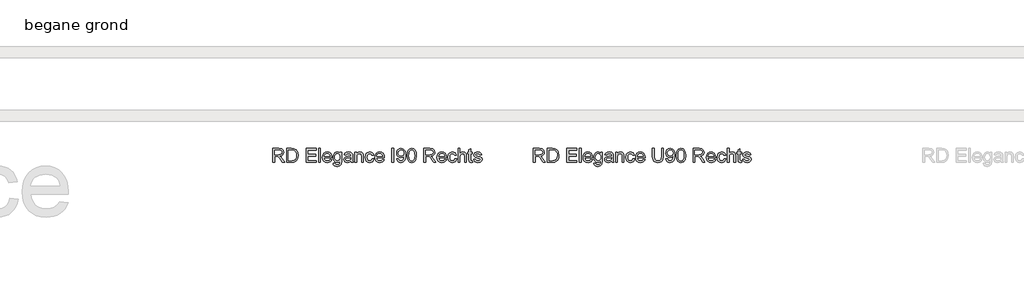
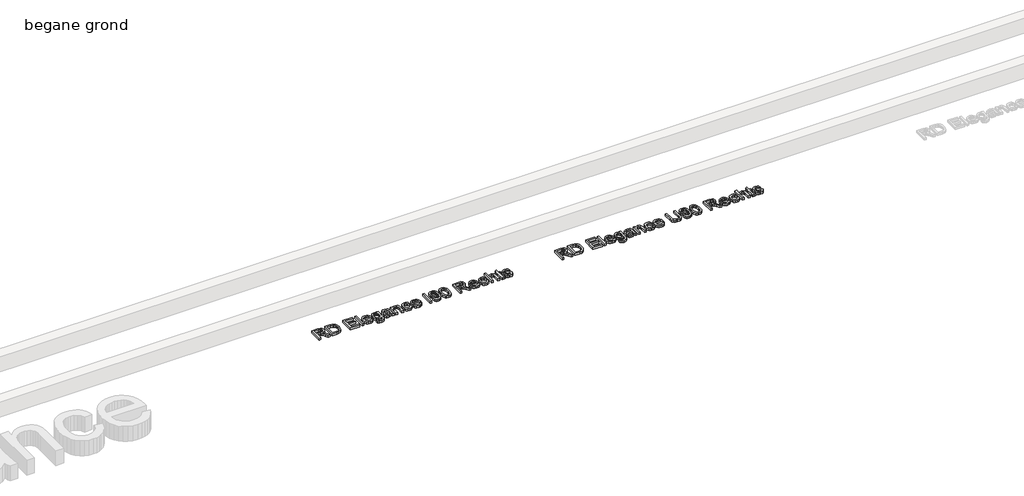
# One storey, part 2 of 3: 2 proxies.
"""IFC4 building model written with IfcOpenShell, lengths in millimetres."""

from ifc_helpers import new_model, si_unit, origin, origin_with_axes, place, context, project, spatial, polyline, outline, extrude, element, save

model = new_model("IFC4")

# Units and contexts
model_context = context("Model", 3, world=origin())
ifc_project = project(units=[si_unit("LENGTHUNIT", "METRE", prefix="MILLI")], contexts=[model_context])

# Site, building, storey
site = spatial("IfcSite", under=ifc_project)
building = spatial("IfcBuilding", under=site)
storey = spatial("IfcBuildingStorey", under=building, Name="begane grond", Elevation=0.0)

# Proxies
placement = place(None, origin())
element("IfcBuildingElementProxy", 1, Name="Generic Models", at=placement, inside=storey, context=model_context, shape_type="SweptSolid", body=[
    extrude(outline(polyline([(-3942.7448706, -13739.732296), (-3942.7448706, -13616.6553729), (-3889.7100148, -13616.6553729), (-3865.0856158, -13619.9756854), (-3851.6240773, -13631.7244835), (-3846.5910244, -13650.3392671), (-3848.6756097, -13662.4636662), (-3854.9293658, -13672.5147479), (-3865.5400929, -13679.8840388), (-3880.6955917, -13683.9630652), (-3871.9516013, -13690.5435941), (-3859.4816494, -13706.3789306), (-3838.9588129, -13739.732296), (-3856.8374186, -13739.732296), (-3872.8530436, -13714.2214787), (-3884.4215533, -13697.3344594), (-3892.5495581, -13689.356695), (-3899.8662648, -13686.4270075), (-3908.7905436, -13685.8861421), (-3927.3602552, -13685.8861421), (-3927.3602552, -13739.732296), (-3942.7448706, -13739.732296)]), holes=[polyline([(-3927.3602552, -13670.5015267), (-3892.925159, -13670.5015267), (-3875.3620581, -13668.3230412), (-3865.3860965, -13661.3518873), (-3861.9756398, -13650.9101806), (-3863.601992, -13643.4056734), (-3868.4810485, -13637.3584979), (-3876.8757299, -13633.3696157), (-3889.0489571, -13632.0399883), (-3927.3602552, -13632.0399883), (-3927.3602552, -13670.5015267)])]), origin_with_axes(), (0.0, 0.0, 1.0), 20.0),
    extrude(outline(polyline([(-3819.6679475, -13739.732296), (-3819.6679475, -13616.6553729), (-3777.2100148, -13616.6553729), (-3755.2448706, -13618.4282094), (-3737.1559283, -13627.232296), (-3728.6448105, -13636.607296), (-3722.582611, -13648.2659498), (-3717.7448706, -13677.5327767), (-3721.020111, -13702.3675123), (-3729.4335725, -13720.2911902), (-3740.6715533, -13731.4540508), (-3755.3800869, -13737.6289306), (-3775.1667456, -13739.732296), (-3819.6679475, -13739.732296)]), holes=[polyline([(-3804.2833321, -13724.3476806), (-3777.0597744, -13724.3476806), (-3757.2580917, -13722.1241229), (-3745.8398225, -13715.8440748), (-3736.4798465, -13700.5646277), (-3733.129486, -13677.2923921), (-3734.7708622, -13660.5255652), (-3739.6949908, -13648.1457575), (-3746.9703814, -13639.6421517), (-3755.6655436, -13634.5039306), (-3777.4804475, -13632.0399883), (-3804.2833321, -13632.0399883), (-3804.2833321, -13724.3476806)])]), origin_with_axes(), (0.0, 0.0, 1.0), 20.0),
    extrude(outline(polyline([(-3648.5141013, -13739.732296), (-3648.5141013, -13616.6553729), (-3560.0525629, -13616.6553729), (-3560.0525629, -13632.0399883), (-3633.129486, -13632.0399883), (-3633.129486, -13668.5784498), (-3563.8987167, -13668.5784498), (-3563.8987167, -13683.9630652), (-3633.129486, -13683.9630652), (-3633.129486, -13724.3476806), (-3558.129486, -13724.3476806), (-3558.129486, -13739.732296), (-3648.5141013, -13739.732296)])), origin_with_axes(), (0.0, 0.0, 1.0), 20.0),
    extrude(outline(polyline([(-3536.9756398, -13739.732296), (-3536.9756398, -13616.6553729), (-3521.5910244, -13616.6553729), (-3521.5910244, -13739.732296), (-3536.9756398, -13739.732296)])), origin_with_axes(), (0.0, 0.0, 1.0), 20.0),
    extrude(outline(polyline([(-3435.2328513, -13712.8092191), (-3420.1487167, -13714.732296), (-3425.5836626, -13726.0979811), (-3434.2562888, -13734.5940748), (-3445.9712828, -13739.8900484), (-3460.5333321, -13741.6553729), (-3478.5847143, -13738.6092491), (-3492.4744379, -13729.4708777), (-3501.3311085, -13714.8337082), (-3504.2833321, -13695.2911902), (-3501.3010605, -13675.0913705), (-3492.3542456, -13659.9846998), (-3478.6523225, -13650.5646277), (-3461.4047263, -13647.4246037), (-3444.6942396, -13650.5571157), (-3431.3416254, -13659.9546517), (-3422.586367, -13675.0312743), (-3419.6679475, -13695.201046), (-3419.7580917, -13699.3476806), (-3488.8987167, -13699.3476806), (-3486.2357059, -13710.8636061), (-3480.0495581, -13719.3296517), (-3471.1215232, -13724.5354811), (-3460.2328513, -13726.2707575), (-3445.1487167, -13723.0556133), (-3435.2328513, -13712.8092191)]), holes=[polyline([(-3488.8987167, -13683.9630652), (-3435.0525629, -13683.9630652), (-3441.2124186, -13670.0207575), (-3450.1817696, -13664.6121037), (-3461.4648225, -13662.8092191), (-3471.835165, -13664.2477707), (-3480.410135, -13668.5634258), (-3486.3709222, -13675.290439), (-3488.8987167, -13683.9630652)])]), origin_with_axes(), (0.0, 0.0, 1.0), 20.0),
    extrude(outline(polyline([(-3408.129486, -13747.4246037), (-3392.7448706, -13749.3476806), (-3387.7568898, -13757.4606614), (-3372.8229956, -13760.8861421), (-3357.0778033, -13757.0099402), (-3349.565784, -13746.1325364), (-3348.5141013, -13728.1938344), (-3359.3464331, -13736.8476806), (-3372.5525629, -13739.732296), (-3388.4141915, -13736.3744234), (-3400.2418658, -13726.3008056), (-3407.5998886, -13711.5321758), (-3410.0525629, -13694.0892671), (-3405.6505196, -13670.2461181), (-3392.910135, -13653.3741229), (-3383.8393718, -13648.9119835), (-3373.3037648, -13647.4246037), (-3359.5793057, -13650.7899883), (-3348.5141013, -13660.8861421), (-3348.5141013, -13649.3476806), (-3333.129486, -13649.3476806), (-3333.129486, -13727.3825364), (-3337.3362167, -13757.2653489), (-3350.6625388, -13771.1625844), (-3373.1234763, -13776.2707575), (-3387.437629, -13774.4716289), (-3398.7094138, -13769.0742431), (-3405.9397323, -13760.063576), (-3408.129486, -13747.4246037)]), holes=[polyline([(-3394.6679475, -13693.0375844), (-3393.0265713, -13707.1489126), (-3388.1024427, -13716.8506854), (-3380.6993477, -13722.4734318), (-3371.6210725, -13724.3476806), (-3362.6104054, -13722.4846998), (-3355.1697504, -13716.8957575), (-3350.1780136, -13707.317933), (-3348.5141013, -13693.4883056), (-3350.2268417, -13680.1507154), (-3355.3650629, -13670.5465989), (-3362.9146422, -13664.743564), (-3371.8614571, -13662.8092191), (-3380.6467636, -13664.7135159), (-3388.0122985, -13670.4264066), (-3393.0040352, -13679.8877948), (-3394.6679475, -13693.0375844)])]), origin_with_axes(), (0.0, 0.0, 1.0), 20.0),
    extrude(outline(polyline([(-3252.3602552, -13728.1938344), (-3267.2791254, -13738.6205171), (-3283.7604956, -13741.6553729), (-3296.6173165, -13739.8299522), (-3306.1012408, -13734.3536902), (-3311.9493477, -13726.0378849), (-3313.8987167, -13715.6938344), (-3310.9540052, -13703.5243633), (-3303.2166254, -13694.6902287), (-3292.4443898, -13689.6421517), (-3279.1330917, -13687.3284498), (-3252.4503994, -13682.0399883), (-3252.3602552, -13678.6145075), (-3256.597034, -13667.2563344), (-3273.6042456, -13662.8092191), (-3289.1691494, -13665.7689546), (-3296.5910244, -13676.2707575), (-3311.9756398, -13674.3476806), (-3305.3199908, -13659.3236421), (-3291.9185485, -13650.5195556), (-3271.6210725, -13647.4246037), (-3252.9762408, -13650.1589787), (-3242.4443898, -13657.0249642), (-3237.7268417, -13667.466671), (-3236.9756398, -13680.9282094), (-3236.9756398, -13700.0688344), (-3236.1943898, -13726.7965989), (-3233.129486, -13739.732296), (-3248.5141013, -13739.732296), (-3252.3602552, -13728.1938344)]), holes=[polyline([(-3252.3602552, -13697.4246037), (-3277.1799667, -13702.1421517), (-3290.4161446, -13704.6361421), (-3296.410736, -13708.6926325), (-3298.5141013, -13714.6121037), (-3293.9317696, -13722.935421), (-3280.4852552, -13726.2707575), (-3264.9203513, -13722.5898681), (-3254.8842936, -13713.6806133), (-3252.4503994, -13701.7815748), (-3252.3602552, -13697.4246037)])]), origin_with_axes(), (0.0, 0.0, 1.0), 20.0),
    extrude(outline(polyline([(-3215.8217936, -13739.732296), (-3215.8217936, -13649.3476806), (-3200.4371783, -13649.3476806), (-3200.4371783, -13661.9678729), (-3188.6733561, -13651.060421), (-3172.612659, -13647.4246037), (-3158.0844138, -13650.3542912), (-3148.1685485, -13658.0465989), (-3143.5561686, -13669.3596998), (-3142.7448706, -13684.2334979), (-3142.7448706, -13739.732296), (-3158.129486, -13739.732296), (-3158.129486, -13686.3068152), (-3159.9023225, -13672.6950364), (-3166.1673465, -13665.4985219), (-3176.7292456, -13662.8092191), (-3185.7399126, -13664.3191349), (-3193.4209523, -13668.8488825), (-3198.6831218, -13677.6003849), (-3200.4371783, -13691.7755652), (-3200.4371783, -13739.732296), (-3215.8217936, -13739.732296)])), origin_with_axes(), (0.0, 0.0, 1.0), 20.0),
    extrude(outline(polyline([(-3063.8987167, -13707.0399883), (-3048.5141013, -13708.9630652), (-3052.8034643, -13722.6462082), (-3060.863861, -13732.9865027), (-3071.9365773, -13739.4881553), (-3085.2628994, -13741.6553729), (-3101.6278333, -13738.6317852), (-3114.4245581, -13729.5610219), (-3122.6840232, -13714.8412203), (-3125.4371783, -13694.8705171), (-3120.7346542, -13669.3146277), (-3114.800159, -13659.7330472), (-3106.4017215, -13652.8933537), (-3085.473236, -13647.4246037), (-3072.4736867, -13649.3026085), (-3062.0808081, -13654.9366229), (-3054.625129, -13664.0261662), (-3050.4371783, -13676.2707575), (-3065.8217936, -13678.1938344), (-3072.9582119, -13666.6703969), (-3085.3530436, -13662.8092191), (-3095.2952011, -13664.7097599), (-3103.1865773, -13670.4113825), (-3108.3360665, -13680.2220796), (-3110.0525629, -13694.4498441), (-3108.3736266, -13708.869165), (-3103.3368177, -13718.7136662), (-3095.5881698, -13724.3814847), (-3085.7737167, -13726.2707575), (-3071.2755196, -13721.5532094), (-3063.8987167, -13707.0399883)])), origin_with_axes(), (0.0, 0.0, 1.0), 20.0),
    extrude(outline(polyline([(-2971.7713129, -13712.8092191), (-2956.6871783, -13714.732296), (-2962.1221242, -13726.0979811), (-2970.7947504, -13734.5940748), (-2982.5097444, -13739.8900484), (-2997.0717936, -13741.6553729), (-3015.1231759, -13738.6092491), (-3029.0128994, -13729.4708777), (-3037.8695701, -13714.8337082), (-3040.8217936, -13695.2911902), (-3037.839522, -13675.0913705), (-3028.8927071, -13659.9846998), (-3015.190784, -13650.5646277), (-2997.9431879, -13647.4246037), (-2981.2327011, -13650.5571157), (-2967.8800869, -13659.9546517), (-2959.1248285, -13675.0312743), (-2956.206409, -13695.201046), (-2956.2965533, -13699.3476806), (-3025.4371783, -13699.3476806), (-3022.7741674, -13710.8636061), (-3016.5880196, -13719.3296517), (-3007.6599847, -13724.5354811), (-2996.7713129, -13726.2707575), (-2981.6871783, -13723.0556133), (-2971.7713129, -13712.8092191)]), holes=[polyline([(-3025.4371783, -13683.9630652), (-2971.5910244, -13683.9630652), (-2977.7508802, -13670.0207575), (-2986.7202311, -13664.6121037), (-2998.003284, -13662.8092191), (-3008.3736266, -13664.2477707), (-3016.9485965, -13668.5634258), (-3022.9093838, -13675.290439), (-3025.4371783, -13683.9630652)])]), origin_with_axes(), (0.0, 0.0, 1.0), 20.0),
    extrude(outline(polyline([(-2810.0525629, -13616.6553729), (-2794.6679475, -13616.6553729), (-2794.6679475, -13687.6589787), (-2798.8446302, -13717.09107), (-2804.6964932, -13726.9693753), (-2813.8987167, -13734.8194354), (-2826.4738369, -13739.9463885), (-2842.4443898, -13741.6553729), (-2858.0656338, -13740.1679931), (-2870.5543658, -13735.7058537), (-2879.9143417, -13728.422951), (-2886.1493177, -13718.4732816), (-2890.8217936, -13687.6589787), (-2890.8217936, -13616.6553729), (-2875.4371783, -13616.6553729), (-2875.4371783, -13687.1181133), (-2872.4023225, -13710.5706373), (-2861.9756398, -13722.1842191), (-2843.8866975, -13726.2707575), (-2828.2391614, -13724.2500243), (-2817.8350148, -13718.1878248), (-2811.9981759, -13706.3789306), (-2810.0525629, -13687.1181133), (-2810.0525629, -13616.6553729)])), origin_with_axes(), (0.0, 0.0, 1.0), 20.0),
    extrude(outline(polyline([(-2771.5910244, -13708.9630652), (-2756.206409, -13707.0399883), (-2749.2953513, -13721.7184739), (-2736.1943898, -13726.2707575), (-2723.7394619, -13723.34107), (-2715.2959523, -13715.513546), (-2710.2628994, -13702.1421517), (-2708.0393417, -13684.2935941), (-2708.129486, -13681.2887864), (-2720.4341735, -13692.9474402), (-2737.3061686, -13697.4246037), (-2751.3348646, -13694.6902287), (-2763.0122985, -13686.4871037), (-2770.8886506, -13673.8143272), (-2773.5141013, -13657.6709979), (-2770.7609463, -13640.9943152), (-2762.5014811, -13627.9234017), (-2750.0953814, -13619.4723801), (-2734.9023225, -13616.6553729), (-2723.4277131, -13618.262945), (-2712.9822504, -13623.0856614), (-2704.245772, -13630.8831373), (-2697.8981158, -13641.4149883), (-2694.0331819, -13655.9732816), (-2692.7448706, -13675.8500844), (-2694.0294259, -13696.9250544), (-2697.8830917, -13713.2148681), (-2704.2720641, -13725.4557034), (-2713.1625388, -13734.3837383), (-2724.171403, -13739.8374642), (-2736.9155436, -13741.6553729), (-2750.0690893, -13739.5106914), (-2760.5633802, -13733.0766469), (-2767.902623, -13722.7588885), (-2771.5910244, -13708.9630652)]), holes=[polyline([(-2708.129486, -13657.310421), (-2709.7896422, -13646.8837383), (-2714.770111, -13638.8609017), (-2722.4999787, -13633.7452166), (-2732.4083321, -13632.0399883), (-2742.6847744, -13633.876677), (-2750.9179475, -13639.3867431), (-2756.3266013, -13647.8189847), (-2758.129486, -13658.4221998), (-2756.4242576, -13667.9286602), (-2751.3085725, -13675.4744835), (-2743.2782239, -13680.3986121), (-2732.8290052, -13682.0399883), (-2722.999528, -13680.3986121), (-2715.0856158, -13675.4744835), (-2709.8685184, -13667.6507154), (-2708.129486, -13657.310421)])]), origin_with_axes(), (0.0, 0.0, 1.0), 20.0),
    extrude(outline(polyline([(-2679.2833321, -13679.185421), (-2674.7610965, -13643.7737623), (-2669.1421061, -13631.8108717), (-2661.3296061, -13623.3560941), (-2651.2672564, -13618.3305532), (-2638.8987167, -13616.6553729), (-2620.9299667, -13620.6217191), (-2608.520111, -13632.0550123), (-2601.3085725, -13650.2641469), (-2598.5141013, -13679.185421), (-2602.9912648, -13714.4468392), (-2608.5764511, -13726.4209979), (-2616.3776831, -13734.9095796), (-2626.4625689, -13739.9689246), (-2638.8987167, -13741.6553729), (-2654.8842936, -13738.7256854), (-2667.0237167, -13729.9366229), (-2676.2184283, -13709.1208176), (-2679.2833321, -13679.185421)]), holes=[polyline([(-2663.8987167, -13679.1553729), (-2662.0958321, -13703.3553428), (-2656.6871783, -13717.3615027), (-2648.6342936, -13724.0434438), (-2638.8987167, -13726.2707575), (-2629.1631398, -13724.0359318), (-2621.1102552, -13717.3314546), (-2615.7016013, -13703.3177828), (-2613.8987167, -13679.1553729), (-2615.6415052, -13655.5000243), (-2620.8698706, -13641.3849402), (-2628.9077311, -13634.3762263), (-2639.0790052, -13632.0399883), (-2648.7094138, -13634.0982816), (-2656.4467936, -13640.2731614), (-2662.035736, -13655.2671517), (-2663.8987167, -13679.1553729)])]), origin_with_axes(), (0.0, 0.0, 1.0), 20.0),
    extrude(outline(polyline([(-2531.206409, -13739.732296), (-2531.206409, -13616.6553729), (-2478.1715533, -13616.6553729), (-2453.5471542, -13619.9756854), (-2440.0856158, -13631.7244835), (-2435.0525629, -13650.3392671), (-2437.1371482, -13662.4636662), (-2443.3909042, -13672.5147479), (-2454.0016314, -13679.8840388), (-2469.1571302, -13683.9630652), (-2460.4131398, -13690.5435941), (-2447.9431879, -13706.3789306), (-2427.4203513, -13739.732296), (-2445.2989571, -13739.732296), (-2461.3145821, -13714.2214787), (-2472.8830917, -13697.3344594), (-2481.0110965, -13689.356695), (-2488.3278033, -13686.4270075), (-2497.2520821, -13685.8861421), (-2515.8217936, -13685.8861421), (-2515.8217936, -13739.732296), (-2531.206409, -13739.732296)]), holes=[polyline([(-2515.8217936, -13670.5015267), (-2481.3866975, -13670.5015267), (-2463.8235965, -13668.3230412), (-2453.847635, -13661.3518873), (-2450.4371783, -13650.9101806), (-2452.0635304, -13643.4056734), (-2456.9425869, -13637.3584979), (-2465.3372684, -13633.3696157), (-2477.5104956, -13632.0399883), (-2515.8217936, -13632.0399883), (-2515.8217936, -13670.5015267)])]), origin_with_axes(), (0.0, 0.0, 1.0), 20.0),
    extrude(outline(polyline([(-2346.7713129, -13712.8092191), (-2331.6871783, -13714.732296), (-2337.1221242, -13726.0979811), (-2345.7947504, -13734.5940748), (-2357.5097444, -13739.8900484), (-2372.0717936, -13741.6553729), (-2390.1231759, -13738.6092491), (-2404.0128994, -13729.4708777), (-2412.8695701, -13714.8337082), (-2415.8217936, -13695.2911902), (-2412.839522, -13675.0913705), (-2403.8927071, -13659.9846998), (-2390.190784, -13650.5646277), (-2372.9431879, -13647.4246037), (-2356.2327011, -13650.5571157), (-2342.8800869, -13659.9546517), (-2334.1248285, -13675.0312743), (-2331.206409, -13695.201046), (-2331.2965533, -13699.3476806), (-2400.4371783, -13699.3476806), (-2397.7741674, -13710.8636061), (-2391.5880196, -13719.3296517), (-2382.6599847, -13724.5354811), (-2371.7713129, -13726.2707575), (-2356.6871783, -13723.0556133), (-2346.7713129, -13712.8092191)]), holes=[polyline([(-2400.4371783, -13683.9630652), (-2346.5910244, -13683.9630652), (-2352.7508802, -13670.0207575), (-2361.7202311, -13664.6121037), (-2373.003284, -13662.8092191), (-2383.3736266, -13664.2477707), (-2391.9485965, -13668.5634258), (-2397.9093838, -13675.290439), (-2400.4371783, -13683.9630652)])]), origin_with_axes(), (0.0, 0.0, 1.0), 20.0),
    extrude(outline(polyline([(-2258.129486, -13707.0399883), (-2242.7448706, -13708.9630652), (-2247.0342335, -13722.6462082), (-2255.0946302, -13732.9865027), (-2266.1673465, -13739.4881553), (-2279.4936686, -13741.6553729), (-2295.8586025, -13738.6317852), (-2308.6553273, -13729.5610219), (-2316.9147924, -13714.8412203), (-2319.6679475, -13694.8705171), (-2314.9654235, -13669.3146277), (-2309.0309283, -13659.7330472), (-2300.6324908, -13652.8933537), (-2279.7040052, -13647.4246037), (-2266.7044559, -13649.3026085), (-2256.3115773, -13654.9366229), (-2248.8558982, -13664.0261662), (-2244.6679475, -13676.2707575), (-2260.0525629, -13678.1938344), (-2267.1889811, -13666.6703969), (-2279.5838129, -13662.8092191), (-2289.5259703, -13664.7097599), (-2297.4173465, -13670.4113825), (-2302.5668357, -13680.2220796), (-2304.2833321, -13694.4498441), (-2302.6043958, -13708.869165), (-2297.5675869, -13718.7136662), (-2289.8189391, -13724.3814847), (-2280.004486, -13726.2707575), (-2265.5062888, -13721.5532094), (-2258.129486, -13707.0399883)])), origin_with_axes(), (0.0, 0.0, 1.0), 20.0),
    extrude(outline(polyline([(-2229.2833321, -13739.732296), (-2229.2833321, -13616.6553729), (-2213.8987167, -13616.6553729), (-2213.8987167, -13661.9077767), (-2201.902022, -13651.0453969), (-2187.1258802, -13647.4246037), (-2169.848236, -13651.3759258), (-2159.3614571, -13662.2984017), (-2156.206409, -13682.5207575), (-2156.206409, -13739.732296), (-2171.5910244, -13739.732296), (-2171.5910244, -13684.1133056), (-2172.8154835, -13674.4828969), (-2176.488861, -13667.8873441), (-2190.3710725, -13662.8092191), (-2202.9762408, -13666.2346998), (-2211.3897023, -13675.5195556), (-2213.8987167, -13691.7154691), (-2213.8987167, -13739.732296), (-2229.2833321, -13739.732296)])), origin_with_axes(), (0.0, 0.0, 1.0), 20.0),
    extrude(outline(polyline([(-2102.3602552, -13726.9017671), (-2100.4371783, -13740.1830171), (-2111.9455917, -13741.6553729), (-2124.8362167, -13739.1012864), (-2131.2665052, -13732.4005652), (-2133.129486, -13714.9426325), (-2133.129486, -13664.732296), (-2144.6679475, -13664.732296), (-2144.6679475, -13649.3476806), (-2133.129486, -13649.3476806), (-2133.129486, -13627.3825364), (-2117.7448706, -13618.3380652), (-2117.7448706, -13649.3476806), (-2102.3602552, -13649.3476806), (-2102.3602552, -13664.732296), (-2117.7448706, -13664.732296), (-2117.7448706, -13714.4919114), (-2116.9335725, -13722.4246037), (-2114.3043658, -13725.2340989), (-2109.0609763, -13726.2707575), (-2102.3602552, -13726.9017671)])), origin_with_axes(), (0.0, 0.0, 1.0), 20.0),
    extrude(outline(polyline([(-2092.7448706, -13712.8092191), (-2077.3602552, -13710.8861421), (-2070.238861, -13722.3044114), (-2053.9227552, -13726.2707575), (-2038.237659, -13722.6349402), (-2033.129486, -13714.1012864), (-2038.2677071, -13707.1902287), (-2054.1030436, -13702.8032094), (-2077.270111, -13695.2761662), (-2087.3812888, -13686.4871037), (-2090.8217936, -13674.0772479), (-2088.0573706, -13662.6139066), (-2080.5153033, -13653.8548921), (-2070.7346542, -13649.3026085), (-2057.4984763, -13647.4246037), (-2038.7785244, -13650.4444354), (-2026.879486, -13658.6175123), (-2021.5910244, -13672.4246037), (-2036.9756398, -13674.3476806), (-2042.7598946, -13665.8590989), (-2056.2965533, -13662.8092191), (-2071.020111, -13665.7238825), (-2075.4371783, -13672.5147479), (-2073.6042456, -13676.9919114), (-2067.8650629, -13680.3873441), (-2054.613861, -13683.6625844), (-2032.0327311, -13690.904171), (-2021.5459523, -13699.107296), (-2017.7448706, -13712.4786902), (-2022.20701, -13727.2022479), (-2035.082611, -13737.8843392), (-2054.1330917, -13741.6553729), (-2069.6454114, -13739.8374642), (-2080.9660244, -13734.3837383), (-2088.5231158, -13725.3542912), (-2092.7448706, -13712.8092191)])), origin_with_axes(), (0.0, 0.0, 1.0), 20.0),
])
element("IfcBuildingElementProxy", 2, Name="Generic Models", at=placement, inside=storey, context=model_context, shape_type="SweptSolid", body=[
    extrude(outline(polyline([(-6247.7448706, -13739.732296), (-6247.7448706, -13616.6553729), (-6194.7100148, -13616.6553729), (-6170.0856158, -13619.9756854), (-6156.6240773, -13631.7244835), (-6151.5910244, -13650.3392671), (-6153.6756097, -13662.4636662), (-6159.9293658, -13672.5147479), (-6170.5400929, -13679.8840388), (-6185.6955917, -13683.9630652), (-6176.9516013, -13690.5435941), (-6164.4816494, -13706.3789306), (-6143.9588129, -13739.732296), (-6161.8374186, -13739.732296), (-6177.8530436, -13714.2214787), (-6189.4215533, -13697.3344594), (-6197.5495581, -13689.356695), (-6204.8662648, -13686.4270075), (-6213.7905436, -13685.8861421), (-6232.3602552, -13685.8861421), (-6232.3602552, -13739.732296), (-6247.7448706, -13739.732296)]), holes=[polyline([(-6232.3602552, -13670.5015267), (-6197.925159, -13670.5015267), (-6180.3620581, -13668.3230412), (-6170.3860965, -13661.3518873), (-6166.9756398, -13650.9101806), (-6168.601992, -13643.4056734), (-6173.4810485, -13637.3584979), (-6181.8757299, -13633.3696157), (-6194.0489571, -13632.0399883), (-6232.3602552, -13632.0399883), (-6232.3602552, -13670.5015267)])]), origin_with_axes(), (0.0, 0.0, 1.0), 20.0),
    extrude(outline(polyline([(-6124.6679475, -13739.732296), (-6124.6679475, -13616.6553729), (-6082.2100148, -13616.6553729), (-6060.2448706, -13618.4282094), (-6042.1559283, -13627.232296), (-6033.6448105, -13636.607296), (-6027.582611, -13648.2659498), (-6022.7448706, -13677.5327767), (-6026.020111, -13702.3675123), (-6034.4335725, -13720.2911902), (-6045.6715533, -13731.4540508), (-6060.3800869, -13737.6289306), (-6080.1667456, -13739.732296), (-6124.6679475, -13739.732296)]), holes=[polyline([(-6109.2833321, -13724.3476806), (-6082.0597744, -13724.3476806), (-6062.2580917, -13722.1241229), (-6050.8398225, -13715.8440748), (-6041.4798465, -13700.5646277), (-6038.129486, -13677.2923921), (-6039.7708622, -13660.5255652), (-6044.6949908, -13648.1457575), (-6051.9703814, -13639.6421517), (-6060.6655436, -13634.5039306), (-6082.4804475, -13632.0399883), (-6109.2833321, -13632.0399883), (-6109.2833321, -13724.3476806)])]), origin_with_axes(), (0.0, 0.0, 1.0), 20.0),
    extrude(outline(polyline([(-5953.5141013, -13739.732296), (-5953.5141013, -13616.6553729), (-5865.0525629, -13616.6553729), (-5865.0525629, -13632.0399883), (-5938.129486, -13632.0399883), (-5938.129486, -13668.5784498), (-5868.8987167, -13668.5784498), (-5868.8987167, -13683.9630652), (-5938.129486, -13683.9630652), (-5938.129486, -13724.3476806), (-5863.129486, -13724.3476806), (-5863.129486, -13739.732296), (-5953.5141013, -13739.732296)])), origin_with_axes(), (0.0, 0.0, 1.0), 20.0),
    extrude(outline(polyline([(-5841.9756398, -13739.732296), (-5841.9756398, -13616.6553729), (-5826.5910244, -13616.6553729), (-5826.5910244, -13739.732296), (-5841.9756398, -13739.732296)])), origin_with_axes(), (0.0, 0.0, 1.0), 20.0),
    extrude(outline(polyline([(-5740.2328513, -13712.8092191), (-5725.1487167, -13714.732296), (-5730.5836626, -13726.0979811), (-5739.2562888, -13734.5940748), (-5750.9712828, -13739.8900484), (-5765.5333321, -13741.6553729), (-5783.5847143, -13738.6092491), (-5797.4744379, -13729.4708777), (-5806.3311085, -13714.8337082), (-5809.2833321, -13695.2911902), (-5806.3010605, -13675.0913705), (-5797.3542456, -13659.9846998), (-5783.6523225, -13650.5646277), (-5766.4047263, -13647.4246037), (-5749.6942396, -13650.5571157), (-5736.3416254, -13659.9546517), (-5727.586367, -13675.0312743), (-5724.6679475, -13695.201046), (-5724.7580917, -13699.3476806), (-5793.8987167, -13699.3476806), (-5791.2357059, -13710.8636061), (-5785.0495581, -13719.3296517), (-5776.1215232, -13724.5354811), (-5765.2328513, -13726.2707575), (-5750.1487167, -13723.0556133), (-5740.2328513, -13712.8092191)]), holes=[polyline([(-5793.8987167, -13683.9630652), (-5740.0525629, -13683.9630652), (-5746.2124186, -13670.0207575), (-5755.1817696, -13664.6121037), (-5766.4648225, -13662.8092191), (-5776.835165, -13664.2477707), (-5785.410135, -13668.5634258), (-5791.3709222, -13675.290439), (-5793.8987167, -13683.9630652)])]), origin_with_axes(), (0.0, 0.0, 1.0), 20.0),
    extrude(outline(polyline([(-5713.129486, -13747.4246037), (-5697.7448706, -13749.3476806), (-5692.7568898, -13757.4606614), (-5677.8229956, -13760.8861421), (-5662.0778033, -13757.0099402), (-5654.565784, -13746.1325364), (-5653.5141013, -13728.1938344), (-5664.3464331, -13736.8476806), (-5677.5525629, -13739.732296), (-5693.4141915, -13736.3744234), (-5705.2418658, -13726.3008056), (-5712.5998886, -13711.5321758), (-5715.0525629, -13694.0892671), (-5710.6505196, -13670.2461181), (-5697.910135, -13653.3741229), (-5688.8393718, -13648.9119835), (-5678.3037648, -13647.4246037), (-5664.5793057, -13650.7899883), (-5653.5141013, -13660.8861421), (-5653.5141013, -13649.3476806), (-5638.129486, -13649.3476806), (-5638.129486, -13727.3825364), (-5642.3362167, -13757.2653489), (-5655.6625388, -13771.1625844), (-5678.1234763, -13776.2707575), (-5692.437629, -13774.4716289), (-5703.7094138, -13769.0742431), (-5710.9397323, -13760.063576), (-5713.129486, -13747.4246037)]), holes=[polyline([(-5699.6679475, -13693.0375844), (-5698.0265713, -13707.1489126), (-5693.1024427, -13716.8506854), (-5685.6993477, -13722.4734318), (-5676.6210725, -13724.3476806), (-5667.6104054, -13722.4846998), (-5660.1697504, -13716.8957575), (-5655.1780136, -13707.317933), (-5653.5141013, -13693.4883056), (-5655.2268417, -13680.1507154), (-5660.3650629, -13670.5465989), (-5667.9146422, -13664.743564), (-5676.8614571, -13662.8092191), (-5685.6467636, -13664.7135159), (-5693.0122985, -13670.4264066), (-5698.0040352, -13679.8877948), (-5699.6679475, -13693.0375844)])]), origin_with_axes(), (0.0, 0.0, 1.0), 20.0),
    extrude(outline(polyline([(-5557.3602552, -13728.1938344), (-5572.2791254, -13738.6205171), (-5588.7604956, -13741.6553729), (-5601.6173165, -13739.8299522), (-5611.1012408, -13734.3536902), (-5616.9493477, -13726.0378849), (-5618.8987167, -13715.6938344), (-5615.9540052, -13703.5243633), (-5608.2166254, -13694.6902287), (-5597.4443898, -13689.6421517), (-5584.1330917, -13687.3284498), (-5557.4503994, -13682.0399883), (-5557.3602552, -13678.6145075), (-5561.597034, -13667.2563344), (-5578.6042456, -13662.8092191), (-5594.1691494, -13665.7689546), (-5601.5910244, -13676.2707575), (-5616.9756398, -13674.3476806), (-5610.3199908, -13659.3236421), (-5596.9185485, -13650.5195556), (-5576.6210725, -13647.4246037), (-5557.9762408, -13650.1589787), (-5547.4443898, -13657.0249642), (-5542.7268417, -13667.466671), (-5541.9756398, -13680.9282094), (-5541.9756398, -13700.0688344), (-5541.1943898, -13726.7965989), (-5538.129486, -13739.732296), (-5553.5141013, -13739.732296), (-5557.3602552, -13728.1938344)]), holes=[polyline([(-5557.3602552, -13697.4246037), (-5582.1799667, -13702.1421517), (-5595.4161446, -13704.6361421), (-5601.410736, -13708.6926325), (-5603.5141013, -13714.6121037), (-5598.9317696, -13722.935421), (-5585.4852552, -13726.2707575), (-5569.9203513, -13722.5898681), (-5559.8842936, -13713.6806133), (-5557.4503994, -13701.7815748), (-5557.3602552, -13697.4246037)])]), origin_with_axes(), (0.0, 0.0, 1.0), 20.0),
    extrude(outline(polyline([(-5520.8217936, -13739.732296), (-5520.8217936, -13649.3476806), (-5505.4371783, -13649.3476806), (-5505.4371783, -13661.9678729), (-5493.6733561, -13651.060421), (-5477.612659, -13647.4246037), (-5463.0844138, -13650.3542912), (-5453.1685485, -13658.0465989), (-5448.5561686, -13669.3596998), (-5447.7448706, -13684.2334979), (-5447.7448706, -13739.732296), (-5463.129486, -13739.732296), (-5463.129486, -13686.3068152), (-5464.9023225, -13672.6950364), (-5471.1673465, -13665.4985219), (-5481.7292456, -13662.8092191), (-5490.7399126, -13664.3191349), (-5498.4209523, -13668.8488825), (-5503.6831218, -13677.6003849), (-5505.4371783, -13691.7755652), (-5505.4371783, -13739.732296), (-5520.8217936, -13739.732296)])), origin_with_axes(), (0.0, 0.0, 1.0), 20.0),
    extrude(outline(polyline([(-5368.8987167, -13707.0399883), (-5353.5141013, -13708.9630652), (-5357.8034643, -13722.6462082), (-5365.863861, -13732.9865027), (-5376.9365773, -13739.4881553), (-5390.2628994, -13741.6553729), (-5406.6278333, -13738.6317852), (-5419.4245581, -13729.5610219), (-5427.6840232, -13714.8412203), (-5430.4371783, -13694.8705171), (-5425.7346542, -13669.3146277), (-5419.800159, -13659.7330472), (-5411.4017215, -13652.8933537), (-5390.473236, -13647.4246037), (-5377.4736867, -13649.3026085), (-5367.0808081, -13654.9366229), (-5359.625129, -13664.0261662), (-5355.4371783, -13676.2707575), (-5370.8217936, -13678.1938344), (-5377.9582119, -13666.6703969), (-5390.3530436, -13662.8092191), (-5400.2952011, -13664.7097599), (-5408.1865773, -13670.4113825), (-5413.3360665, -13680.2220796), (-5415.0525629, -13694.4498441), (-5413.3736266, -13708.869165), (-5408.3368177, -13718.7136662), (-5400.5881698, -13724.3814847), (-5390.7737167, -13726.2707575), (-5376.2755196, -13721.5532094), (-5368.8987167, -13707.0399883)])), origin_with_axes(), (0.0, 0.0, 1.0), 20.0),
    extrude(outline(polyline([(-5276.7713129, -13712.8092191), (-5261.6871783, -13714.732296), (-5267.1221242, -13726.0979811), (-5275.7947504, -13734.5940748), (-5287.5097444, -13739.8900484), (-5302.0717936, -13741.6553729), (-5320.1231759, -13738.6092491), (-5334.0128994, -13729.4708777), (-5342.8695701, -13714.8337082), (-5345.8217936, -13695.2911902), (-5342.839522, -13675.0913705), (-5333.8927071, -13659.9846998), (-5320.190784, -13650.5646277), (-5302.9431879, -13647.4246037), (-5286.2327011, -13650.5571157), (-5272.8800869, -13659.9546517), (-5264.1248285, -13675.0312743), (-5261.206409, -13695.201046), (-5261.2965533, -13699.3476806), (-5330.4371783, -13699.3476806), (-5327.7741674, -13710.8636061), (-5321.5880196, -13719.3296517), (-5312.6599847, -13724.5354811), (-5301.7713129, -13726.2707575), (-5286.6871783, -13723.0556133), (-5276.7713129, -13712.8092191)]), holes=[polyline([(-5330.4371783, -13683.9630652), (-5276.5910244, -13683.9630652), (-5282.7508802, -13670.0207575), (-5291.7202311, -13664.6121037), (-5303.003284, -13662.8092191), (-5313.3736266, -13664.2477707), (-5321.9485965, -13668.5634258), (-5327.9093838, -13675.290439), (-5330.4371783, -13683.9630652)])]), origin_with_axes(), (0.0, 0.0, 1.0), 20.0),
    extrude(outline(polyline([(-5193.8987167, -13739.732296), (-5193.8987167, -13616.6553729), (-5178.5141013, -13616.6553729), (-5178.5141013, -13739.732296), (-5193.8987167, -13739.732296)])), origin_with_axes(), (0.0, 0.0, 1.0), 20.0),
    extrude(outline(polyline([(-5151.5910244, -13708.9630652), (-5136.206409, -13707.0399883), (-5129.2953513, -13721.7184739), (-5116.1943898, -13726.2707575), (-5103.7394619, -13723.34107), (-5095.2959523, -13715.513546), (-5090.2628994, -13702.1421517), (-5088.0393417, -13684.2935941), (-5088.129486, -13681.2887864), (-5100.4341735, -13692.9474402), (-5117.3061686, -13697.4246037), (-5131.3348646, -13694.6902287), (-5143.0122985, -13686.4871037), (-5150.8886506, -13673.8143272), (-5153.5141013, -13657.6709979), (-5150.7609463, -13640.9943152), (-5142.5014811, -13627.9234017), (-5130.0953814, -13619.4723801), (-5114.9023225, -13616.6553729), (-5103.4277131, -13618.262945), (-5092.9822504, -13623.0856614), (-5084.245772, -13630.8831373), (-5077.8981158, -13641.4149883), (-5074.0331819, -13655.9732816), (-5072.7448706, -13675.8500844), (-5074.0294259, -13696.9250544), (-5077.8830917, -13713.2148681), (-5084.2720641, -13725.4557034), (-5093.1625388, -13734.3837383), (-5104.171403, -13739.8374642), (-5116.9155436, -13741.6553729), (-5130.0690893, -13739.5106914), (-5140.5633802, -13733.0766469), (-5147.902623, -13722.7588885), (-5151.5910244, -13708.9630652)]), holes=[polyline([(-5088.129486, -13657.310421), (-5089.7896422, -13646.8837383), (-5094.770111, -13638.8609017), (-5102.4999787, -13633.7452166), (-5112.4083321, -13632.0399883), (-5122.6847744, -13633.876677), (-5130.9179475, -13639.3867431), (-5136.3266013, -13647.8189847), (-5138.129486, -13658.4221998), (-5136.4242576, -13667.9286602), (-5131.3085725, -13675.4744835), (-5123.2782239, -13680.3986121), (-5112.8290052, -13682.0399883), (-5102.999528, -13680.3986121), (-5095.0856158, -13675.4744835), (-5089.8685184, -13667.6507154), (-5088.129486, -13657.310421)])]), origin_with_axes(), (0.0, 0.0, 1.0), 20.0),
    extrude(outline(polyline([(-5059.2833321, -13679.185421), (-5054.7610965, -13643.7737623), (-5049.1421061, -13631.8108717), (-5041.3296061, -13623.3560941), (-5031.2672564, -13618.3305532), (-5018.8987167, -13616.6553729), (-5000.9299667, -13620.6217191), (-4988.520111, -13632.0550123), (-4981.3085725, -13650.2641469), (-4978.5141013, -13679.185421), (-4982.9912648, -13714.4468392), (-4988.5764511, -13726.4209979), (-4996.3776831, -13734.9095796), (-5006.4625689, -13739.9689246), (-5018.8987167, -13741.6553729), (-5034.8842936, -13738.7256854), (-5047.0237167, -13729.9366229), (-5056.2184283, -13709.1208176), (-5059.2833321, -13679.185421)]), holes=[polyline([(-5043.8987167, -13679.1553729), (-5042.0958321, -13703.3553428), (-5036.6871783, -13717.3615027), (-5028.6342936, -13724.0434438), (-5018.8987167, -13726.2707575), (-5009.1631398, -13724.0359318), (-5001.1102552, -13717.3314546), (-4995.7016013, -13703.3177828), (-4993.8987167, -13679.1553729), (-4995.6415052, -13655.5000243), (-5000.8698706, -13641.3849402), (-5008.9077311, -13634.3762263), (-5019.0790052, -13632.0399883), (-5028.7094138, -13634.0982816), (-5036.4467936, -13640.2731614), (-5042.035736, -13655.2671517), (-5043.8987167, -13679.1553729)])]), origin_with_axes(), (0.0, 0.0, 1.0), 20.0),
    extrude(outline(polyline([(-4911.206409, -13739.732296), (-4911.206409, -13616.6553729), (-4858.1715533, -13616.6553729), (-4833.5471542, -13619.9756854), (-4820.0856158, -13631.7244835), (-4815.0525629, -13650.3392671), (-4817.1371482, -13662.4636662), (-4823.3909042, -13672.5147479), (-4834.0016314, -13679.8840388), (-4849.1571302, -13683.9630652), (-4840.4131398, -13690.5435941), (-4827.9431879, -13706.3789306), (-4807.4203513, -13739.732296), (-4825.2989571, -13739.732296), (-4841.3145821, -13714.2214787), (-4852.8830917, -13697.3344594), (-4861.0110965, -13689.356695), (-4868.3278033, -13686.4270075), (-4877.2520821, -13685.8861421), (-4895.8217936, -13685.8861421), (-4895.8217936, -13739.732296), (-4911.206409, -13739.732296)]), holes=[polyline([(-4895.8217936, -13670.5015267), (-4861.3866975, -13670.5015267), (-4843.8235965, -13668.3230412), (-4833.847635, -13661.3518873), (-4830.4371783, -13650.9101806), (-4832.0635304, -13643.4056734), (-4836.9425869, -13637.3584979), (-4845.3372684, -13633.3696157), (-4857.5104956, -13632.0399883), (-4895.8217936, -13632.0399883), (-4895.8217936, -13670.5015267)])]), origin_with_axes(), (0.0, 0.0, 1.0), 20.0),
    extrude(outline(polyline([(-4726.7713129, -13712.8092191), (-4711.6871783, -13714.732296), (-4717.1221242, -13726.0979811), (-4725.7947504, -13734.5940748), (-4737.5097444, -13739.8900484), (-4752.0717936, -13741.6553729), (-4770.1231759, -13738.6092491), (-4784.0128994, -13729.4708777), (-4792.8695701, -13714.8337082), (-4795.8217936, -13695.2911902), (-4792.839522, -13675.0913705), (-4783.8927071, -13659.9846998), (-4770.190784, -13650.5646277), (-4752.9431879, -13647.4246037), (-4736.2327011, -13650.5571157), (-4722.8800869, -13659.9546517), (-4714.1248285, -13675.0312743), (-4711.206409, -13695.201046), (-4711.2965533, -13699.3476806), (-4780.4371783, -13699.3476806), (-4777.7741674, -13710.8636061), (-4771.5880196, -13719.3296517), (-4762.6599847, -13724.5354811), (-4751.7713129, -13726.2707575), (-4736.6871783, -13723.0556133), (-4726.7713129, -13712.8092191)]), holes=[polyline([(-4780.4371783, -13683.9630652), (-4726.5910244, -13683.9630652), (-4732.7508802, -13670.0207575), (-4741.7202311, -13664.6121037), (-4753.003284, -13662.8092191), (-4763.3736266, -13664.2477707), (-4771.9485965, -13668.5634258), (-4777.9093838, -13675.290439), (-4780.4371783, -13683.9630652)])]), origin_with_axes(), (0.0, 0.0, 1.0), 20.0),
    extrude(outline(polyline([(-4638.129486, -13707.0399883), (-4622.7448706, -13708.9630652), (-4627.0342335, -13722.6462082), (-4635.0946302, -13732.9865027), (-4646.1673465, -13739.4881553), (-4659.4936686, -13741.6553729), (-4675.8586025, -13738.6317852), (-4688.6553273, -13729.5610219), (-4696.9147924, -13714.8412203), (-4699.6679475, -13694.8705171), (-4694.9654235, -13669.3146277), (-4689.0309283, -13659.7330472), (-4680.6324908, -13652.8933537), (-4659.7040052, -13647.4246037), (-4646.7044559, -13649.3026085), (-4636.3115773, -13654.9366229), (-4628.8558982, -13664.0261662), (-4624.6679475, -13676.2707575), (-4640.0525629, -13678.1938344), (-4647.1889811, -13666.6703969), (-4659.5838129, -13662.8092191), (-4669.5259703, -13664.7097599), (-4677.4173465, -13670.4113825), (-4682.5668357, -13680.2220796), (-4684.2833321, -13694.4498441), (-4682.6043958, -13708.869165), (-4677.5675869, -13718.7136662), (-4669.8189391, -13724.3814847), (-4660.004486, -13726.2707575), (-4645.5062888, -13721.5532094), (-4638.129486, -13707.0399883)])), origin_with_axes(), (0.0, 0.0, 1.0), 20.0),
    extrude(outline(polyline([(-4609.2833321, -13739.732296), (-4609.2833321, -13616.6553729), (-4593.8987167, -13616.6553729), (-4593.8987167, -13661.9077767), (-4581.902022, -13651.0453969), (-4567.1258802, -13647.4246037), (-4549.848236, -13651.3759258), (-4539.3614571, -13662.2984017), (-4536.206409, -13682.5207575), (-4536.206409, -13739.732296), (-4551.5910244, -13739.732296), (-4551.5910244, -13684.1133056), (-4552.8154835, -13674.4828969), (-4556.488861, -13667.8873441), (-4570.3710725, -13662.8092191), (-4582.9762408, -13666.2346998), (-4591.3897023, -13675.5195556), (-4593.8987167, -13691.7154691), (-4593.8987167, -13739.732296), (-4609.2833321, -13739.732296)])), origin_with_axes(), (0.0, 0.0, 1.0), 20.0),
    extrude(outline(polyline([(-4482.3602552, -13726.9017671), (-4480.4371783, -13740.1830171), (-4491.9455917, -13741.6553729), (-4504.8362167, -13739.1012864), (-4511.2665052, -13732.4005652), (-4513.129486, -13714.9426325), (-4513.129486, -13664.732296), (-4524.6679475, -13664.732296), (-4524.6679475, -13649.3476806), (-4513.129486, -13649.3476806), (-4513.129486, -13627.3825364), (-4497.7448706, -13618.3380652), (-4497.7448706, -13649.3476806), (-4482.3602552, -13649.3476806), (-4482.3602552, -13664.732296), (-4497.7448706, -13664.732296), (-4497.7448706, -13714.4919114), (-4496.9335725, -13722.4246037), (-4494.3043658, -13725.2340989), (-4489.0609763, -13726.2707575), (-4482.3602552, -13726.9017671)])), origin_with_axes(), (0.0, 0.0, 1.0), 20.0),
    extrude(outline(polyline([(-4472.7448706, -13712.8092191), (-4457.3602552, -13710.8861421), (-4450.238861, -13722.3044114), (-4433.9227552, -13726.2707575), (-4418.237659, -13722.6349402), (-4413.129486, -13714.1012864), (-4418.2677071, -13707.1902287), (-4434.1030436, -13702.8032094), (-4457.270111, -13695.2761662), (-4467.3812888, -13686.4871037), (-4470.8217936, -13674.0772479), (-4468.0573706, -13662.6139066), (-4460.5153033, -13653.8548921), (-4450.7346542, -13649.3026085), (-4437.4984763, -13647.4246037), (-4418.7785244, -13650.4444354), (-4406.879486, -13658.6175123), (-4401.5910244, -13672.4246037), (-4416.9756398, -13674.3476806), (-4422.7598946, -13665.8590989), (-4436.2965533, -13662.8092191), (-4451.020111, -13665.7238825), (-4455.4371783, -13672.5147479), (-4453.6042456, -13676.9919114), (-4447.8650629, -13680.3873441), (-4434.613861, -13683.6625844), (-4412.0327311, -13690.904171), (-4401.5459523, -13699.107296), (-4397.7448706, -13712.4786902), (-4402.20701, -13727.2022479), (-4415.082611, -13737.8843392), (-4434.1330917, -13741.6553729), (-4449.6454114, -13739.8374642), (-4460.9660244, -13734.3837383), (-4468.5231158, -13725.3542912), (-4472.7448706, -13712.8092191)])), origin_with_axes(), (0.0, 0.0, 1.0), 20.0),
])

save(model, "model.ifc")
